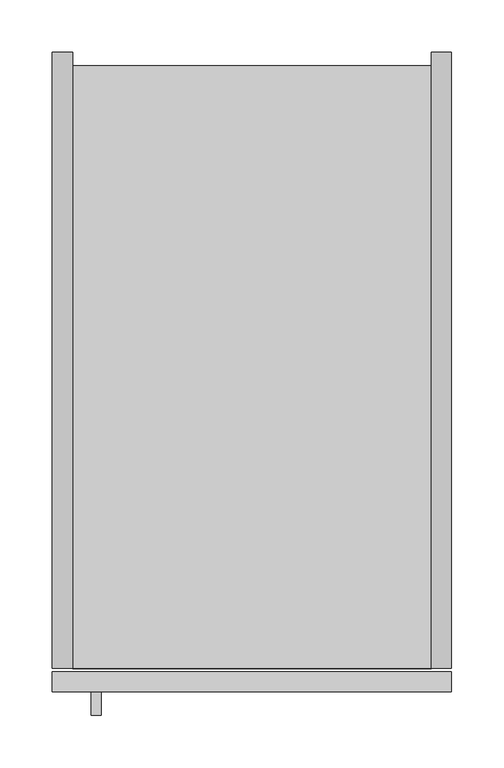
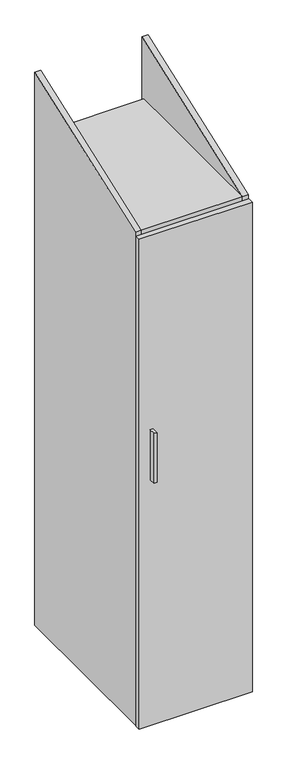
"""IFC4 building model written with IfcOpenShell, lengths in millimetres: furniture geometry."""

from ifc_helpers import new_model, si_unit, frame, origin, place, context, project, spatial, polyline, outline, extrude, source, transform, mapped, element, save


def furniture_0387c24b(model_context):
    return source(origin(), model_context, "Body", "SweptSolid", [
        extrude(outline(polyline([(46.6713631, -632.079), (37.1463631, -632.079), (37.1463631, -609.854), (46.6713631, -609.854), (46.6713631, -632.079)])), frame((0.0, 0.0, 977.9000121), z_axis=(0.0, 0.0, 1.0), x_axis=(1.0, 0.0, 0.0)), (0.0, 0.0, 1.0), 177.8),
        extrude(outline(polyline([(0.0, 2071.2684), (0.0, 101.6), (-587.375, 101.6), (-587.375, 1857.6579378), (0.0, 2071.2684)])), frame((0.0, 0.0, 0.0), z_axis=(1.0, 0.0, 0.0), x_axis=(0.0, 1.0, 0.0)), (0.0, 0.0, 1.0), 19.304),
        extrude(outline(polyline([(0.0, 2071.2684), (0.0, 101.6), (-587.375, 101.6), (-587.375, 1857.6579378), (0.0, 2071.2684)])), frame((361.696, 0.0, 0.0), z_axis=(1.0, 0.0, 0.0), x_axis=(0.0, 1.0, 0.0)), (0.0, 0.0, 1.0), 19.304),
        extrude(outline(polyline([(361.696, -587.375), (19.304, -587.375), (19.304, -32.004), (361.696, -32.004), (361.696, -587.375)])), frame((0.0, 0.0, 101.6), z_axis=(0.0, 0.0, 1.0), x_axis=(1.0, 0.0, 0.0)), (0.0, 0.0, 1.0), 19.304),
        extrude(outline(polyline([(361.696, -12.7), (361.696, -587.375), (19.304, -587.375), (19.304, -12.7), (361.696, -12.7)])), frame((0.0, 0.0, 1838.3504), z_axis=(0.0, 0.0, 1.0), x_axis=(1.0, 0.0, 0.0)), (0.0, 0.0, 1.0), 19.304),
        extrude(outline(polyline([(361.696, -12.7), (361.696, -32.004), (19.304, -32.004), (19.304, -12.7), (361.696, -12.7)])), frame((0.0, 0.0, 101.6), z_axis=(0.0, 0.0, 1.0), x_axis=(1.0, 0.0, 0.0)), (0.0, 0.0, 1.0), 1736.7504),
        extrude(outline(polyline([(381.0, -609.854), (0.0, -609.854), (0.0, -590.55), (381.0, -590.55), (381.0, -609.854)])), frame((0.0, 0.0, 101.6), z_axis=(0.0, 0.0, 1.0), x_axis=(1.0, 0.0, 0.0)), (0.0, 0.0, 1.0), 1744.3704),
    ])


if __name__ == "__main__":
    model = new_model("IFC4")
    model_context = context("Model", 3, world=origin())
    ifc_project = project(units=[si_unit("LENGTHUNIT", "METRE", prefix="MILLI")], contexts=[model_context])
    site = spatial("IfcSite", under=ifc_project)
    building = spatial("IfcBuilding", under=site)
    placement = place(None, origin())
    furniture_shape = furniture_0387c24b(model_context)
    element("IfcFurniture", 1, at=placement, inside=building, context=model_context, shape_type="MappedRepresentation", body=[
        mapped(furniture_shape, transform((0.0, 0.0, 0.0), x_axis=(1.0, 0.0, 0.0), y_axis=(0.0, 1.0, 0.0), z_axis=(0.0, 0.0, 1.0))),
    ])
    save(model, "model.ifc")
